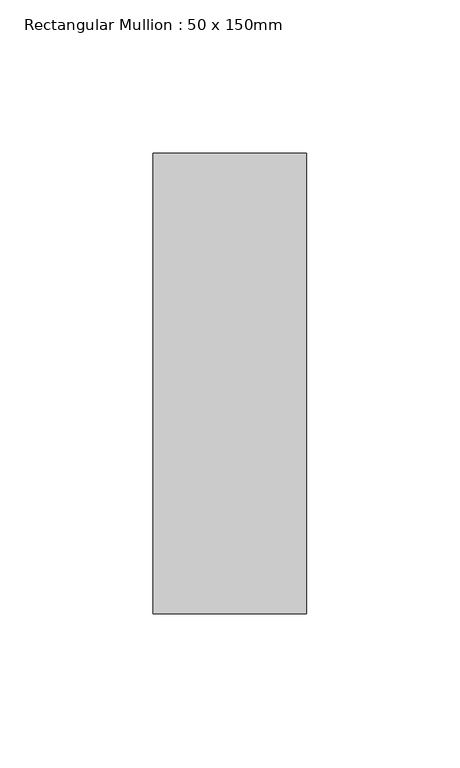
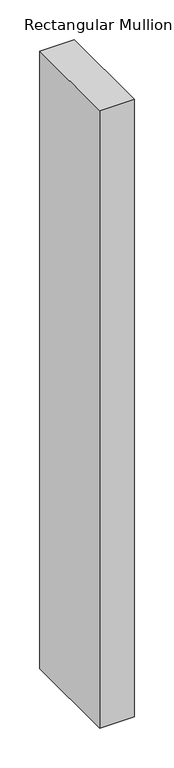
"""IFC4 building model written with IfcOpenShell, lengths in millimetres: member geometry, Rectangular Mullion : 50 x 150mm."""

from ifc_helpers import new_model, si_unit, frame, origin, place, context, project, spatial, polyline, outline, extrude, source, transform, mapped, element, save


def rectangular_mullion_50_x_150mm_f59a5b6f(model_context):
    return source(origin(), model_context, "Body", "SweptSolid", [
        extrude(outline(polyline([(0.0, 75.0), (0.0, -75.0), (-50.0, -75.0), (-50.0, 75.0), (0.0, 75.0)])), frame((0.0, 0.0, -946.3391099), z_axis=(0.0, 0.0, 1.0), x_axis=(1.0, 0.0, 0.0)), (0.0, 0.0, 1.0), 946.3391099),
    ])


if __name__ == "__main__":
    model = new_model("IFC4")
    model_context = context("Model", 3, world=origin())
    ifc_project = project(units=[si_unit("LENGTHUNIT", "METRE", prefix="MILLI")], contexts=[model_context])
    site = spatial("IfcSite", under=ifc_project)
    building = spatial("IfcBuilding", under=site)
    placement = place(None, origin())
    rectangular_mullion_50_x_150mm_shape = rectangular_mullion_50_x_150mm_f59a5b6f(model_context)
    element("IfcMember", 1, ObjectType="Rectangular Mullion : 50 x 150mm", at=placement, inside=building, context=model_context, shape_type="MappedRepresentation", body=[
        mapped(rectangular_mullion_50_x_150mm_shape, transform((0.0, 0.0, 0.0), x_axis=(1.0, 0.0, 0.0), y_axis=(0.0, 1.0, 0.0), z_axis=(0.0, 0.0, 1.0))),
    ])
    save(model, "model.ifc")
